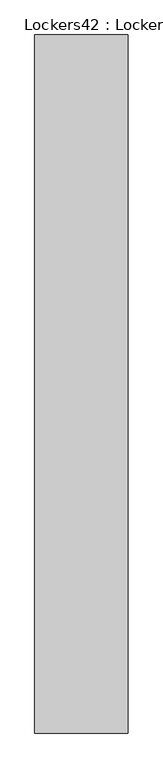
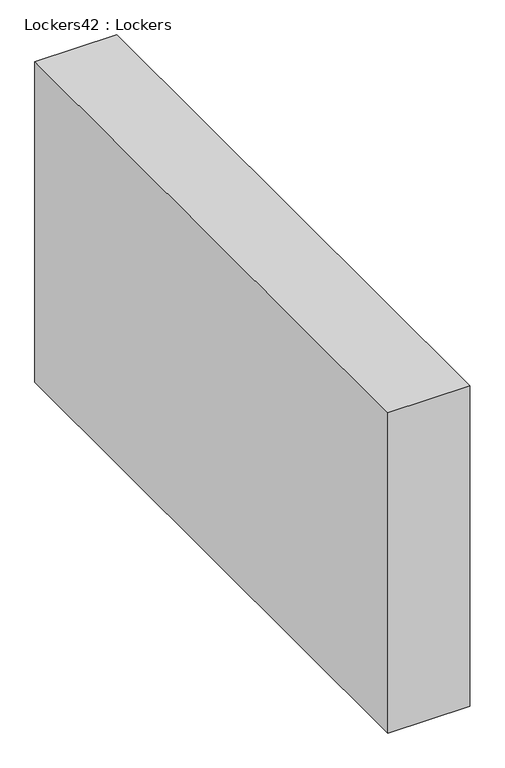
"""IFC4 building model written with IfcOpenShell, lengths in millimetres: furniture geometry, Lockers42 : Lockers."""

from ifc_helpers import new_model, si_unit, origin, origin_with_axes, place, context, project, spatial, polyline, outline, extrude, source, transform, mapped, element, save


def lockers42_lockers_7f6e0477(model_context):
    return source(origin(), model_context, "Body", "SweptSolid", [
        extrude(outline(polyline([(-565173.2902128, -59314.0413317), (-565173.2902128, -62616.0413317), (-565614.6152128, -62616.0413317), (-565614.6152128, -59314.0413317), (-565173.2902128, -59314.0413317)])), origin_with_axes(), (0.0, 0.0, 1.0), 1828.8),
    ])


if __name__ == "__main__":
    model = new_model("IFC4")
    model_context = context("Model", 3, world=origin())
    ifc_project = project(units=[si_unit("LENGTHUNIT", "METRE", prefix="MILLI")], contexts=[model_context])
    site = spatial("IfcSite", under=ifc_project)
    building = spatial("IfcBuilding", under=site)
    placement = place(None, origin())
    lockers42_lockers_shape = lockers42_lockers_7f6e0477(model_context)
    element("IfcFurniture", 1, ObjectType="Lockers42 : Lockers", at=placement, inside=building, context=model_context, shape_type="MappedRepresentation", body=[
        mapped(lockers42_lockers_shape, transform((0.0, 0.0, 0.0), x_axis=(1.0, 0.0, 0.0), y_axis=(0.0, 1.0, 0.0), z_axis=(0.0, 0.0, 1.0))),
    ])
    save(model, "model.ifc")
